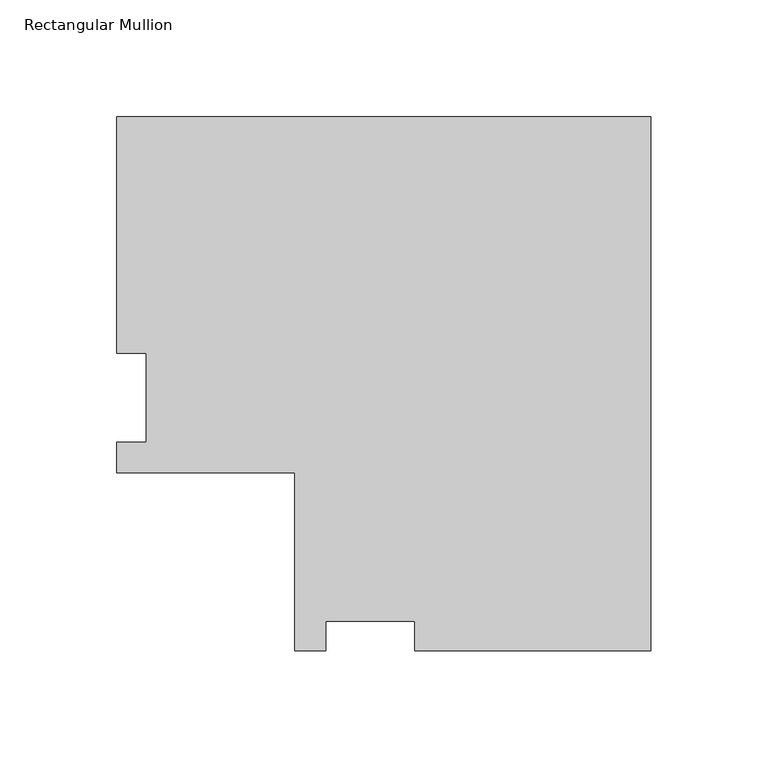
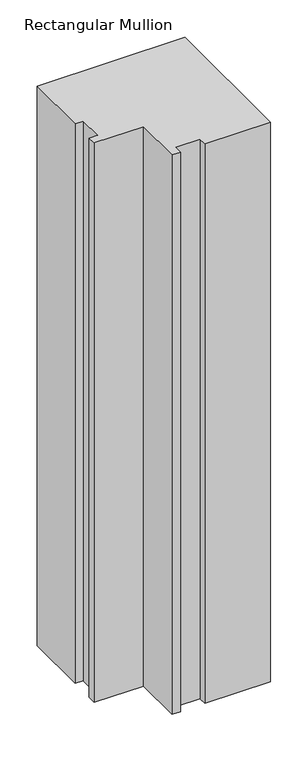
"""IFC4 building model written with IfcOpenShell, lengths in millimetres: member geometry, Rectangular Mullion."""

from ifc_helpers import new_model, si_unit, frame, origin, place, context, project, spatial, polyline, outline, extrude, source, transform, mapped, element, save


def rectangular_mullion_b42181bb(model_context):
    return source(origin(), model_context, "Body", "SweptSolid", [
        extrude(outline(polyline([(-228.6853182, 152.4988119), (0.0, 152.4988119), (0.0, -76.1865063), (-101.2027182, -76.1865063), (-101.2027182, -63.4865063), (-139.3027182, -63.4865063), (-139.3027182, -76.1865063), (-152.4853182, -76.1865063), (-152.4853182, 0.0134937), (-228.6853182, 0.0134937), (-228.6853182, 13.1960937), (-215.9853182, 13.1960937), (-215.9853182, 51.2960937), (-228.6853182, 51.2960937), (-228.6853182, 152.4988119)])), frame((0.0, 0.0, -914.4), z_axis=(0.0, 0.0, 1.0), x_axis=(1.0, 0.0, 0.0)), (0.0, 0.0, 1.0), 914.4),
    ])


if __name__ == "__main__":
    model = new_model("IFC4")
    model_context = context("Model", 3, world=origin())
    ifc_project = project(units=[si_unit("LENGTHUNIT", "METRE", prefix="MILLI")], contexts=[model_context])
    site = spatial("IfcSite", under=ifc_project)
    building = spatial("IfcBuilding", under=site)
    placement = place(None, origin())
    rectangular_mullion_shape = rectangular_mullion_b42181bb(model_context)
    element("IfcMember", 1, ObjectType="Rectangular Mullion", at=placement, inside=building, context=model_context, shape_type="MappedRepresentation", body=[
        mapped(rectangular_mullion_shape, transform((0.0, 0.0, 0.0), x_axis=(1.0, 0.0, 0.0), y_axis=(0.0, 1.0, 0.0), z_axis=(0.0, 0.0, 1.0))),
    ])
    save(model, "model.ifc")
